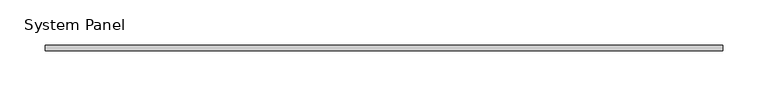
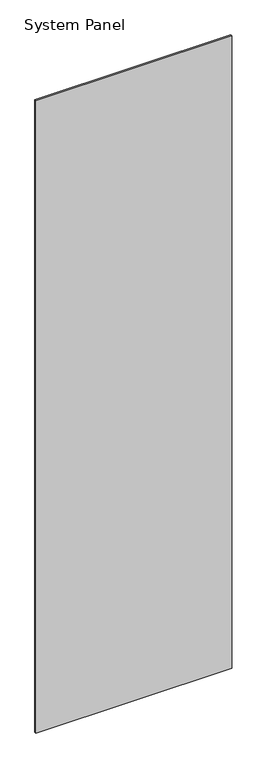
"""IFC4 building model written with IfcOpenShell, lengths in millimetres: plate geometry, System Panel."""

from ifc_helpers import new_model, si_unit, origin, origin_with_axes, place, context, project, spatial, polyline, outline, extrude, source, transform, mapped, element, save


def system_panel_00357460(model_context):
    return source(origin(), model_context, "Body", "SweptSolid", [
        extrude(outline(polyline([(372.5, -3.0), (-372.5, -3.0), (-372.5, 3.0), (372.5, 3.0), (372.5, -3.0)])), origin_with_axes(), (0.0, 0.0, 1.0), 2540.0),
    ])


if __name__ == "__main__":
    model = new_model("IFC4")
    model_context = context("Model", 3, world=origin())
    ifc_project = project(units=[si_unit("LENGTHUNIT", "METRE", prefix="MILLI")], contexts=[model_context])
    site = spatial("IfcSite", under=ifc_project)
    building = spatial("IfcBuilding", under=site)
    placement = place(None, origin())
    system_panel_shape = system_panel_00357460(model_context)
    element("IfcPlate", 1, ObjectType="System Panel", at=placement, inside=building, context=model_context, shape_type="MappedRepresentation", body=[
        mapped(system_panel_shape, transform((0.0, 0.0, 0.0), x_axis=(1.0, 0.0, 0.0), y_axis=(0.0, 1.0, 0.0), z_axis=(0.0, 0.0, 1.0))),
    ])
    save(model, "model.ifc")
